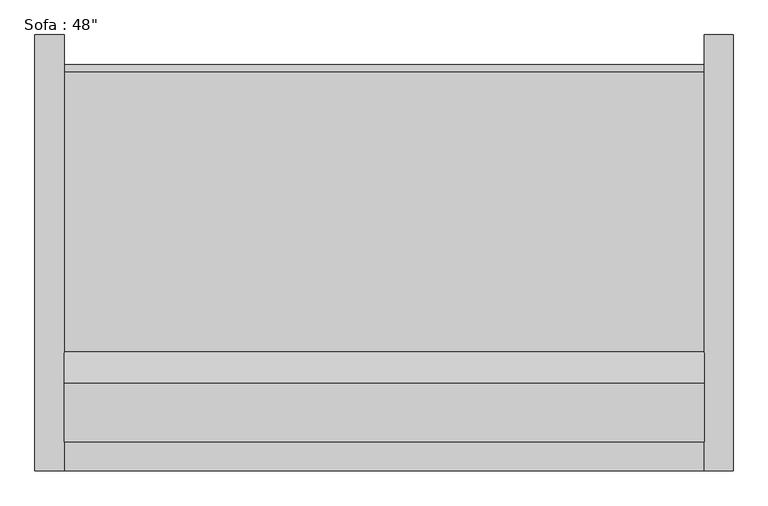
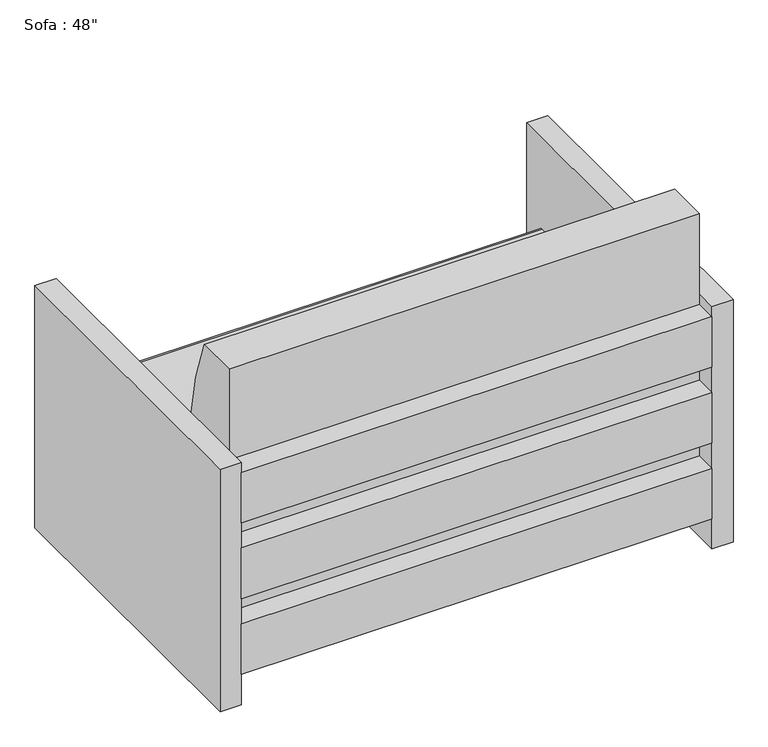
"""IFC4 building model written with IfcOpenShell, lengths in millimetres: furniture geometry."""

from ifc_helpers import new_model, si_unit, point, frame, frame_2d, origin, origin_with_axes, place, context, project, spatial, polyline, circle_curve, trimmed, segment, composite_curve, outline, extrude, source, transform, mapped, element, save


def furniture_f855b956(model_context):
    return source(origin(), model_context, "Body", "SweptSolid", [
        extrude(outline(polyline([(-488.4295082, -425.5540984), (629.1704918, -425.5540984), (629.1704918, -476.3540984), (-488.4295082, -476.3540984), (-488.4295082, -425.5540984)])), frame((0.0, 0.0, 457.2), z_axis=(0.0, 0.0, 1.0), x_axis=(1.0, 0.0, 0.0)), (0.0, 0.0, 1.0), 127.0),
        extrude(outline(polyline([(-488.4295082, -425.5540984), (629.1704918, -425.5540984), (629.1704918, -476.3540984), (-488.4295082, -476.3540984), (-488.4295082, -425.5540984)])), frame((0.0, 0.0, 266.7), z_axis=(0.0, 0.0, 1.0), x_axis=(1.0, 0.0, 0.0)), (0.0, 0.0, 1.0), 127.0),
        extrude(outline(polyline([(-488.4295082, -425.5540984), (629.1704918, -425.5540984), (629.1704918, -476.3540984), (-488.4295082, -476.3540984), (-488.4295082, -425.5540984)])), frame((0.0, 0.0, 76.2), z_axis=(0.0, 0.0, 1.0), x_axis=(1.0, 0.0, 0.0)), (0.0, 0.0, 1.0), 127.0),
        extrude(outline(composite_curve([segment(polyline([(-286.1764935, 381.0), (220.9862837, 381.0)]), True, "CONTINUOUS"), segment(trimmed(circle_curve(frame_2d((220.9862837, 368.3)), 12.7), [point((220.9862837, 381.0))], [point((233.6379563, 367.1931221))], False, "CARTESIAN"), True, "CONTINUOUS"), segment(polyline([(233.6379563, 367.1931221), (212.708343, 127.9665467), (-425.5540984, 127.9665467), (-425.5540984, 812.8), (-323.9540984, 812.8)]), True, "CONTINUOUS"), segment(trimmed(circle_curve(frame_2d((-926.517198, 542.5300036)), 660.4), [point((-323.9540984, 812.8))], [point((-286.1764935, 381.0))], False, "CARTESIAN"), True, "CONTINUOUS")], self_intersect=False)), frame((-488.4295082, 0.0, 0.0), z_axis=(1.0, 0.0, 0.0), x_axis=(0.0, 1.0, 0.0)), (0.0, 0.0, 1.0), 1117.6),
        extrude(outline(polyline([(-539.2295082, -476.3540984), (-539.2295082, 285.6459016), (-488.4295082, 285.6459016), (-488.4295082, -476.3540984), (-539.2295082, -476.3540984)])), origin_with_axes(), (0.0, 0.0, 1.0), 609.6),
        extrude(outline(polyline([(679.9704918, -476.3540984), (629.1704918, -476.3540984), (629.1704918, 285.6459016), (679.9704918, 285.6459016), (679.9704918, -476.3540984)])), origin_with_axes(), (0.0, 0.0, 1.0), 609.6),
    ])


if __name__ == "__main__":
    model = new_model("IFC4")
    model_context = context("Model", 3, world=origin())
    ifc_project = project(units=[si_unit("LENGTHUNIT", "METRE", prefix="MILLI")], contexts=[model_context])
    site = spatial("IfcSite", under=ifc_project)
    building = spatial("IfcBuilding", under=site)
    placement = place(None, origin())
    furniture_shape = furniture_f855b956(model_context)
    element("IfcFurniture", 1, ObjectType="Sofa : 48\"", at=placement, inside=building, context=model_context, shape_type="MappedRepresentation", body=[
        mapped(furniture_shape, transform((0.0, 0.0, 0.0), x_axis=(1.0, 0.0, 0.0), y_axis=(0.0, 1.0, 0.0), z_axis=(0.0, 0.0, 1.0))),
    ])
    save(model, "model.ifc")
